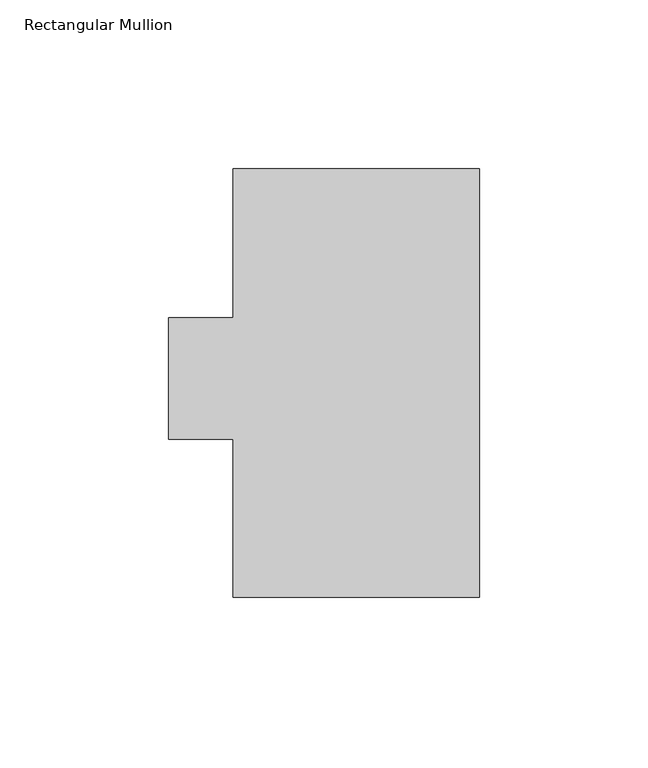
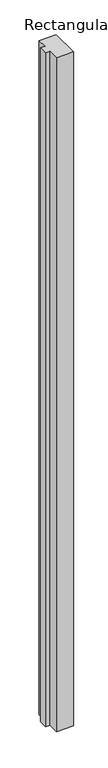
"""IFC4 building model written with IfcOpenShell, lengths in millimetres: member geometry, Rectangular Mullion."""

from ifc_helpers import new_model, si_unit, frame, origin, place, context, project, spatial, polyline, outline, extrude, source, transform, mapped, element, save


def rectangular_mullion_229a27e2(model_context):
    return source(origin(), model_context, "Body", "SweptSolid", [
        extrude(outline(polyline([(-73.025, 127.0), (0.0, 127.0), (0.0, 0.0), (-73.025, 0.0), (-73.025, 46.83125), (-92.0755426, 46.83125), (-92.0755426, 82.9250181), (-73.025, 82.9250181), (-73.025, 127.0)])), frame((0.0, 0.0, -3048.0), z_axis=(0.0, 0.0, 1.0), x_axis=(1.0, 0.0, 0.0)), (0.0, 0.0, 1.0), 3048.0),
    ])


if __name__ == "__main__":
    model = new_model("IFC4")
    model_context = context("Model", 3, world=origin())
    ifc_project = project(units=[si_unit("LENGTHUNIT", "METRE", prefix="MILLI")], contexts=[model_context])
    site = spatial("IfcSite", under=ifc_project)
    building = spatial("IfcBuilding", under=site)
    placement = place(None, origin())
    rectangular_mullion_shape = rectangular_mullion_229a27e2(model_context)
    element("IfcMember", 1, ObjectType="Rectangular Mullion", at=placement, inside=building, context=model_context, shape_type="MappedRepresentation", body=[
        mapped(rectangular_mullion_shape, transform((0.0, 0.0, 0.0), x_axis=(1.0, 0.0, 0.0), y_axis=(0.0, 1.0, 0.0), z_axis=(0.0, 0.0, 1.0))),
    ])
    save(model, "model.ifc")
